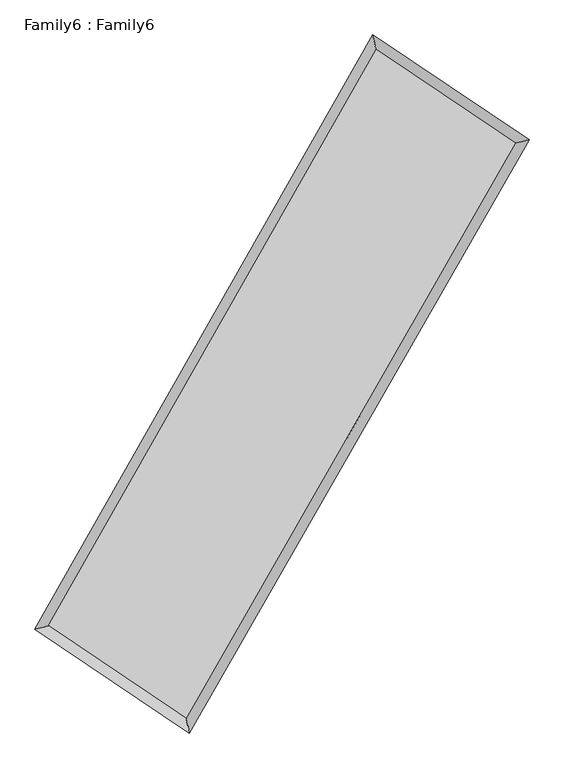
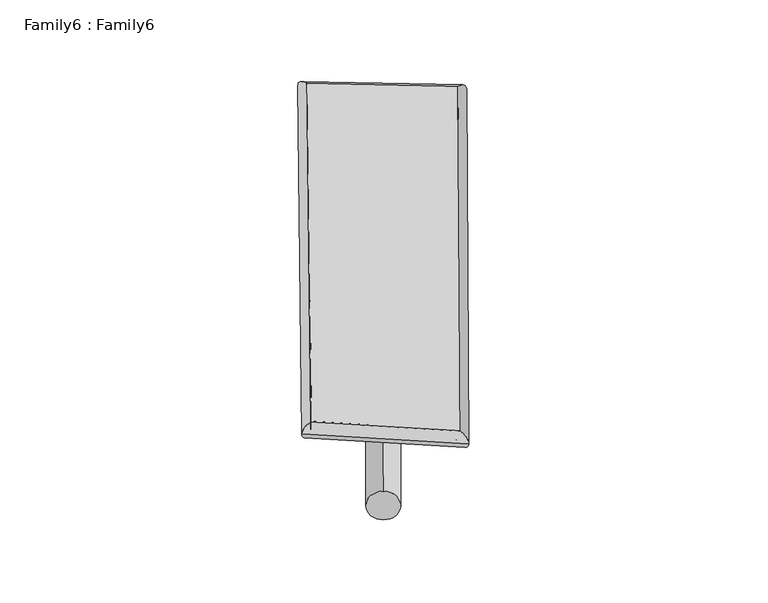
"""IFC4 building model written with IfcOpenShell, lengths in millimetres: plate geometry, Family6 : Family6."""

from ifc_helpers import new_model, si_unit, point, frame, origin, origin_2d, place, context, project, spatial, circle_curve, ellipse_curve, trimmed, segment, composite_curve, outline, extrude, source, transform, mapped, element, save
from ifc_brep_helpers import plane_surface, cylinder_surface, spline_surface, advanced_brep


def family6_family6_546f99f8(model_context):
    return source(origin(), model_context, "Body", "SolidModel", [
        extrude(outline(composite_curve([segment(trimmed(circle_curve(origin_2d(), 76.2), [point((-75.4341514, -10.7763074))], [point((75.4341514, 10.7763074))], False, "CARTESIAN"), True, "CONTINUOUS"), segment(trimmed(circle_curve(origin_2d(), 76.2), [point((75.4341514, 10.7763074))], [point((-75.4341514, -10.7763074))], False, "CARTESIAN"), True, "CONTINUOUS")], self_intersect=False)), frame((9144.0, 9144.0, 0.0), z_axis=(0.6686653112364587, 0.6878057961159614, 0.282506439534285), x_axis=(-0.6806625608294312, 0.7191368237393274, -0.139788078988276)), (0.0, 0.0, 1.0), 5491.8665468),
        extrude(outline(composite_curve([segment(trimmed(circle_curve(origin_2d(), 76.2), [point((-53.8815367, 53.8815367))], [point((53.8815367, -53.8815367))], False, "CARTESIAN"), True, "CONTINUOUS"), segment(trimmed(circle_curve(origin_2d(), 76.2), [point((53.8815367, -53.8815367))], [point((-53.8815367, 53.8815367))], False, "CARTESIAN"), True, "CONTINUOUS")], self_intersect=False)), frame((9144.0, 9144.0, 0.0), z_axis=(-0.6666821179483934, -0.6896504474164886, 0.28269632821471435), x_axis=(0.6492483029958817, -0.3510517465636946, 0.6747142449152436)), (0.0, 0.0, 1.0), 5488.5082382),
        extrude(outline(composite_curve([segment(trimmed(circle_curve(origin_2d(), 76.2), [point((-53.8815367, -53.8815367))], [point((53.8815367, 53.8815367))], False, "CARTESIAN"), True, "CONTINUOUS"), segment(trimmed(circle_curve(origin_2d(), 76.2), [point((53.8815367, 53.8815367))], [point((-53.8815367, -53.8815367))], False, "CARTESIAN"), True, "CONTINUOUS")], self_intersect=False)), frame((9144.0, 9144.0, 0.0), z_axis=(0.26191714402783844, 0.9282713962172237, 0.26402959044248625), x_axis=(-0.8410230836271578, 0.35372784985301153, -0.4093370018024662)), (0.0, 0.0, 1.0), 5656.390996),
        extrude(outline(composite_curve([segment(trimmed(circle_curve(origin_2d(), 76.2), [point((-75.4341514, 10.7763074))], [point((75.4341514, -10.7763074))], False, "CARTESIAN"), True, "CONTINUOUS"), segment(trimmed(circle_curve(origin_2d(), 76.2), [point((75.4341514, -10.7763074))], [point((-75.4341514, 10.7763074))], False, "CARTESIAN"), True, "CONTINUOUS")], self_intersect=False)), frame((9144.0, 9144.0, 0.0), z_axis=(-0.26418802335956054, -0.9275894758766318, 0.2641636851580548), x_axis=(0.8826274794212455, -0.12210796276525024, 0.45393653521149757)), (0.0, 0.0, 1.0), 5652.5395298),
        advanced_brep(
        [(5282.7259222, 5311.4760314, 1547.1306951), (5282.6322673, 5311.3351162, 1557.2583399), (5687.0934846, 5406.2196444, 1556.0315575), (10676.6854435, 14176.6121925, 1499.6124859), (10574.3261069, 14612.7197424, 1487.2967102), (5687.1871394, 5406.3605596, 1545.9039128), (12613.5128198, 12874.0316229, 1550.9199531), (13018.9284877, 12968.6436618, 1552.0553759), (7599.8361914, 4118.6801097, 1494.3418585), (7701.4973179, 3682.8475306, 1492.0494869)],
        [
            (0, 1, ellipse_curve(frame((5484.9097034, 5358.8478379, 1551.5811263), z_axis=(-0.2283464328061898, 0.9735128021011696, 0.011433755717929624), x_axis=(-0.9733171862989236, -0.22854189311647427, 0.020548915929668066)), 207.8642642, 152.4)),
            (1, 2, ellipse_curve(frame((5484.9097034, 5358.8478379, 1551.5811263), z_axis=(-0.2283464328061898, 0.9735128021011696, 0.011433755717929624), x_axis=(-0.9733171862989236, -0.22854189311647427, 0.020548915929668066)), 207.8642642, 152.4)),
            (2, 3),
            (3, 4, ellipse_curve(frame((10625.5057752, 14394.6659675, 1493.4545981), z_axis=(-0.9733971818144965, -0.22880741187405101, -0.012045526434911063), x_axis=(0.22856306369446813, -0.9733475203303593, 0.018802408923840566)), 224.0739264, 152.4)),
            (4, 0),
            (2, 5, ellipse_curve(frame((5484.9097034, 5358.8478379, 1551.5811263), z_axis=(-0.2283464328061898, 0.9735128021011696, 0.011433755717929624), x_axis=(-0.9733171862989236, -0.22854189311647427, 0.020548915929668066)), 207.8642642, 152.4)),
            (5, 0, ellipse_curve(frame((5484.9097034, 5358.8478379, 1551.5811263), z_axis=(-0.2283464328061898, 0.9735128021011696, 0.011433755717929624), x_axis=(-0.9733171862989236, -0.22854189311647427, 0.020548915929668066)), 207.8642642, 152.4)),
            (4, 3, ellipse_curve(frame((10625.5057752, 14394.6659675, 1493.4545981), z_axis=(-0.9733971818144965, -0.22880741187405101, -0.012045526434911063), x_axis=(0.22856306369446813, -0.9733475203303593, 0.018802408923840566)), 224.0739264, 152.4)),
            (3, 6),
            (6, 7, ellipse_curve(frame((12816.2206538, 12921.3376424, 1551.4876645), z_axis=(-0.22722000108518883, 0.9737792751509843, -0.011180089144109446), x_axis=(-0.9735890870105494, -0.22740805959224875, -0.020245100307311716)), 208.1830083, 152.4)),
            (7, 4),
            (7, 6, ellipse_curve(frame((12816.2206538, 12921.3376424, 1551.4876645), z_axis=(-0.22722000108518883, 0.9737792751509843, -0.011180089144109446), x_axis=(-0.9735890870105494, -0.22740805959224875, -0.020245100307311716)), 208.1830083, 152.4)),
            (6, 8),
            (8, 9, ellipse_curve(frame((7650.6667547, 3900.7638202, 1493.1956727), z_axis=(0.9737696370938863, 0.22720355147814522, -0.012297970147903346), x_axis=(-0.22695061519757667, 0.973719079436216, 0.019093784416124235)), 223.7942695, 152.4)),
            (9, 7),
            (9, 8, ellipse_curve(frame((7650.6667547, 3900.7638202, 1493.1956727), z_axis=(0.9737696370938863, 0.22720355147814522, -0.012297970147903346), x_axis=(-0.22695061519757667, 0.973719079436216, 0.019093784416124235)), 223.7942695, 152.4)),
            (8, 5),
            (1, 9),
        ],
        [
            cylinder_surface(frame((5484.9097034, 5358.8478379, 1551.5811263), z_axis=(-0.4944821569269231, -0.869169795855448, 0.005591283707421997), x_axis=(-0.8687645916779029, 0.49403046810730006, -0.03437994805709831)), 152.4),
            cylinder_surface(frame((10625.5057752, 14394.6659675, 1493.4545981), z_axis=(-0.829596310088922, 0.5579309995900685, -0.021976396048311614), x_axis=(0.5582927120539622, 0.8294755406461229, -0.01672050050847065)), 152.4),
            cylinder_surface(frame((12816.2206538, 12921.3376424, 1551.4876645), z_axis=(0.49692431680722915, 0.8677757644875607, 0.0056076674026169435), x_axis=(0.8677926005201809, -0.4969243168072291, -0.0014919276424448637)), 152.4),
            cylinder_surface(frame((7650.6667547, 3900.7638202, 1493.1956727), z_axis=(0.829316011140149, -0.5583324411955531, -0.022357074388357514), x_axis=(-0.5580894445873017, -0.8296164159408413, 0.016515878472249668)), 152.4),
        ],
        [
            (0, [[1, 2, 3, 4, 5]]),
            (0, [[6, 7, -5, 8, -3]]),
            (1, [[-4, 9, 10, 11]]),
            (1, [[-8, -11, 12, -9]]),
            (2, [[-10, 13, 14, 15]]),
            (2, [[-12, -15, 16, -13]]),
            (3, [[-14, 17, -6, -2, 18]]),
            (3, [[-16, -18, -1, -7, -17]]),
        ],
    ),
        extrude(outline(composite_curve([segment(trimmed(circle_curve(origin_2d(), 304.8), [point((0.0, 304.8))], [point((0.0, -304.8))], False, "CARTESIAN"), True, "CONTINUOUS"), segment(trimmed(circle_curve(origin_2d(), 304.8), [point((0.0, -304.8))], [point((0.0, 304.8))], False, "CARTESIAN"), True, "CONTINUOUS")], self_intersect=False)), frame((11752.1159371, 13644.593229, -0.0126705), z_axis=(-0.5013975313873957, -0.8652170337624501, 2.435838271087815e-06), x_axis=(-0.8652170337656309, 0.5013975313873956, -6.547888389796451e-07)), (0.0, 0.0, 1.0), 10403.3856324),
        advanced_brep(
        [(5484.9097034, 5358.8478379, 1551.5811263), (7650.6667547, 3900.7638202, 1493.1956727), (7650.6585235, 3900.7670608, 1645.5956724), (5484.9014722, 5358.8510785, 1703.9811261), (12816.2206538, 12921.3376424, 1551.4876645), (12816.2124226, 12921.340883, 1703.8876643), (10625.5057752, 14394.6659675, 1493.4545981), (10625.497544, 14394.6692081, 1645.8545978)],
        [
            (0, 1),
            (1, 2),
            (2, 3),
            (3, 0),
            (1, 4),
            (4, 5),
            (5, 2),
            (4, 6),
            (6, 7),
            (7, 5),
            (6, 0),
            (3, 7),
        ],
        [
            plane_surface(frame((6567.788229, 4629.805829, 1522.3883995), z_axis=(-0.5584722639170763, -0.8295231945391736, -1.2524390398583121e-05), x_axis=(0.8293160111401491, -0.5583324411955531, -0.022357074388357503))),
            plane_surface(frame((10233.4437042, 8411.0507313, 1522.3416686), z_axis=(0.8677892473314649, -0.4969324088012063, 5.743622805608412e-05), x_axis=(0.4969243168072293, 0.8677757644875604, 0.005607667402616954))),
            plane_surface(frame((11720.8632145, 13658.0018049, 1522.4711313), z_axis=(0.5580655501567786, 0.8297968676562036, 1.2496604330686917e-05), x_axis=(-0.8295963100889219, 0.5579309995900688, -0.02197639604831162))),
            plane_surface(frame((8055.2077393, 9876.7569027, 1522.5178622), z_axis=(-0.8691835397979468, 0.4944896064051365, -5.745959081758685e-05), x_axis=(-0.4944821569269235, -0.8691697958554477, 0.005591283707421996))),
            spline_surface(1, 1, [[(7650.6585235, 3900.7670608, 1645.5956724), (5484.9014722, 5358.8510785, 1703.9811261)], [(12816.2124226, 12921.340883, 1703.8876643), (10625.497544, 14394.6692081, 1645.8545978)]], [2, 2], [2, 2], [0.0, 1.0], [0.0, 1.0]),
            spline_surface(1, 1, [[(10625.5057752, 14394.6659675, 1493.4545981), (5484.9097034, 5358.8478379, 1551.5811263)], [(12816.2206538, 12921.3376424, 1551.4876645), (7650.6667547, 3900.7638202, 1493.1956727)]], [2, 2], [2, 2], [0.0, 1.0], [0.0, 1.0]),
        ],
        [
            (0, [[1, 2, 3, 4]]),
            (1, [[5, 6, 7, -2]]),
            (2, [[8, 9, 10, -6]]),
            (3, [[11, -4, 12, -9]]),
            (4, [[-3, -7, -10, -12]]),
            (5, [[-11, -8, -5, -1]]),
        ],
    ),
    ])


if __name__ == "__main__":
    model = new_model("IFC4")
    model_context = context("Model", 3, world=origin())
    ifc_project = project(units=[si_unit("LENGTHUNIT", "METRE", prefix="MILLI")], contexts=[model_context])
    site = spatial("IfcSite", under=ifc_project)
    building = spatial("IfcBuilding", under=site)
    placement = place(None, origin())
    family6_family6_shape = family6_family6_546f99f8(model_context)
    element("IfcPlate", 1, ObjectType="Family6 : Family6", at=placement, inside=building, context=model_context, shape_type="MappedRepresentation", body=[
        mapped(family6_family6_shape, transform((0.0, 0.0, 0.0), x_axis=(1.0, 0.0, 0.0), y_axis=(0.0, 1.0, 0.0), z_axis=(0.0, 0.0, 1.0))),
    ])
    save(model, "model.ifc")
